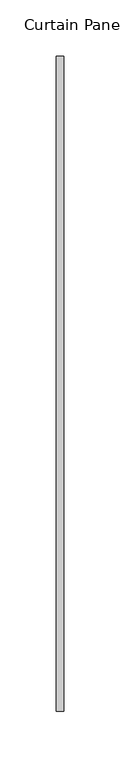
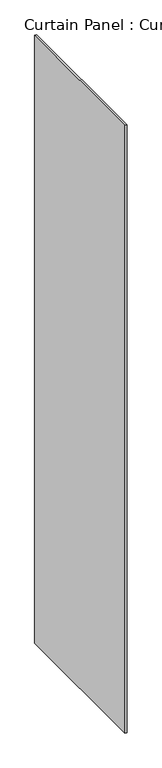
"""IFC4 building model written with IfcOpenShell, lengths in millimetres: plate geometry, Curtain Panel : Curtain Panel."""

from ifc_helpers import new_model, si_unit, frame, origin, place, context, project, spatial, polyline, outline, extrude, source, transform, mapped, element, save


def curtain_panel_curtain_panel_e7537d81(model_context):
    return source(origin(), model_context, "Body", "SweptSolid", [
        extrude(outline(polyline([(-34596.2104182, 5605.2639664), (-34596.2104182, 5024.2807268), (-34602.5604182, 5024.2807268), (-34602.5604182, 5605.2639664), (-34596.2104182, 5605.2639664)])), frame((0.0, 0.0, 41.3183001), z_axis=(0.0, 0.0, 1.0), x_axis=(1.0, 0.0, 0.0)), (0.0, 0.0, 1.0), 2381.2318955),
    ])


if __name__ == "__main__":
    model = new_model("IFC4")
    model_context = context("Model", 3, world=origin())
    ifc_project = project(units=[si_unit("LENGTHUNIT", "METRE", prefix="MILLI")], contexts=[model_context])
    site = spatial("IfcSite", under=ifc_project)
    building = spatial("IfcBuilding", under=site)
    placement = place(None, origin())
    curtain_panel_curtain_panel_shape = curtain_panel_curtain_panel_e7537d81(model_context)
    element("IfcPlate", 1, ObjectType="Curtain Panel : Curtain Panel", at=placement, inside=building, context=model_context, shape_type="MappedRepresentation", body=[
        mapped(curtain_panel_curtain_panel_shape, transform((0.0, 0.0, 0.0), x_axis=(1.0, 0.0, 0.0), y_axis=(0.0, 1.0, 0.0), z_axis=(0.0, 0.0, 1.0))),
    ])
    save(model, "model.ifc")
